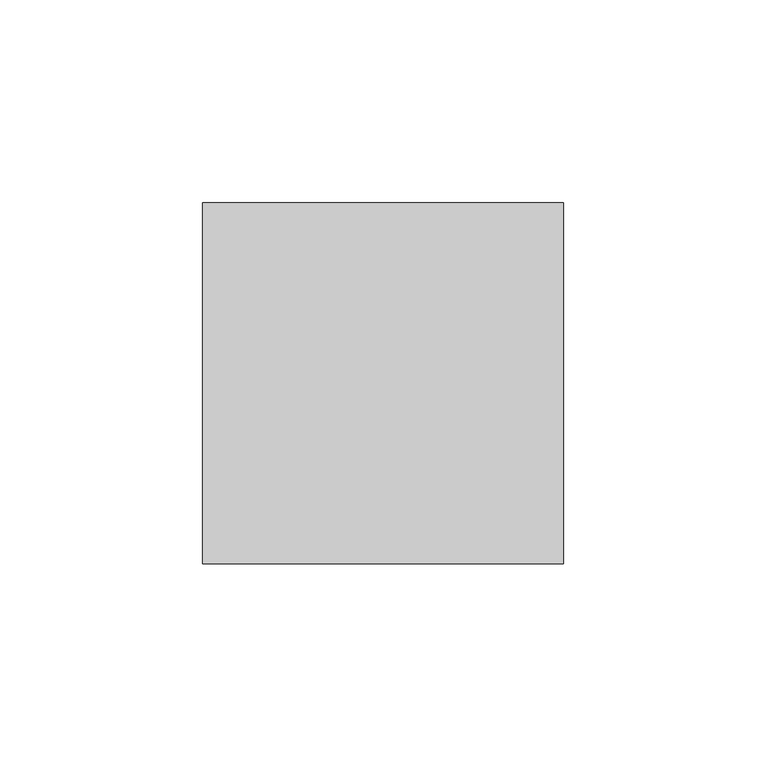
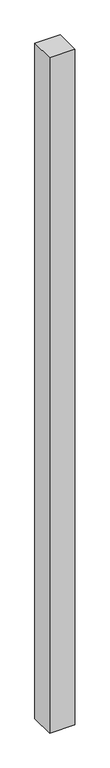
"""IFC4 building model written with IfcOpenShell, lengths in millimetres: member geometry."""

from ifc_helpers import new_model, si_unit, frame, origin, place, context, project, spatial, polyline, outline, extrude, source, transform, mapped, element, save


def member_23e71481(model_context):
    return source(origin(), model_context, "Body", "SweptSolid", [
        extrude(outline(polyline([(-44.5, -44.0930011), (-44.5, 44.9069989), (44.5, 44.9069989), (44.5, -44.0930011), (-44.5, -44.0930011)])), frame((0.0, 0.0, -2500.0), z_axis=(0.0, 0.0, 1.0), x_axis=(1.0, 0.0, 0.0)), (0.0, 0.0, 1.0), 2500.0),
    ])


if __name__ == "__main__":
    model = new_model("IFC4")
    model_context = context("Model", 3, world=origin())
    ifc_project = project(units=[si_unit("LENGTHUNIT", "METRE", prefix="MILLI")], contexts=[model_context])
    site = spatial("IfcSite", under=ifc_project)
    building = spatial("IfcBuilding", under=site)
    placement = place(None, origin())
    member_shape = member_23e71481(model_context)
    element("IfcMember", 1, at=placement, inside=building, context=model_context, shape_type="MappedRepresentation", body=[
        mapped(member_shape, transform((0.0, 0.0, 0.0), x_axis=(1.0, 0.0, 0.0), y_axis=(0.0, 1.0, 0.0), z_axis=(0.0, 0.0, 1.0))),
    ])
    save(model, "model.ifc")
